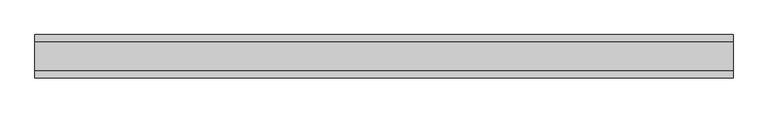
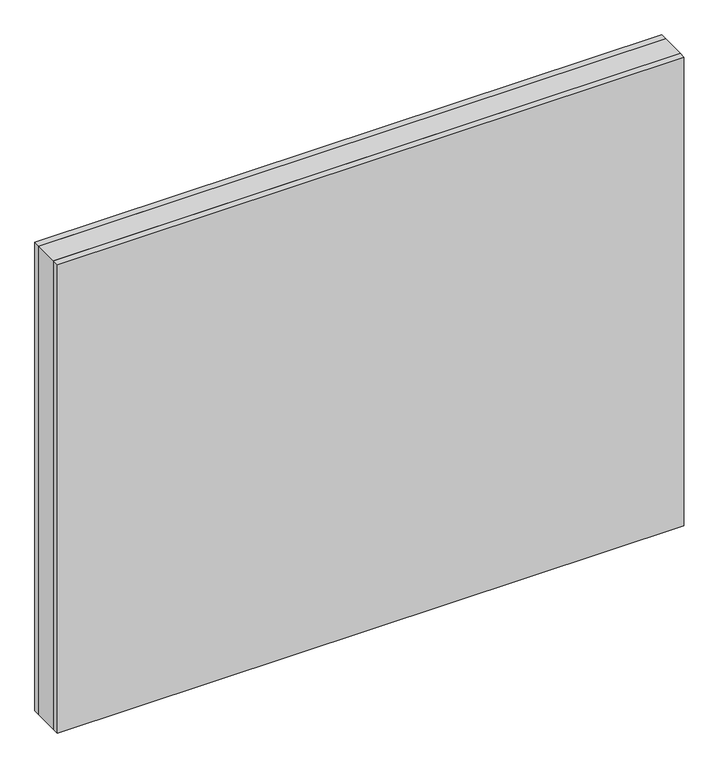
"""IFC4 building model written with IfcOpenShell, lengths in millimetres: plate geometry."""

from ifc_helpers import new_model, si_unit, origin, origin_with_axes, place, context, project, spatial, polyline, outline, extrude, source, transform, mapped, element, save


def plate_739f2e98(model_context):
    return source(origin(), model_context, "Body", "SweptSolid", [
        extrude(outline(polyline([(602.1875001, 24.2), (602.1875001, -24.2), (-602.1875001, -24.2), (-602.1875001, 24.2), (602.1875001, 24.2)])), origin_with_axes(), (0.0, 0.0, 1.0), 951.75),
        extrude(outline(polyline([(602.1875001, 37.2), (602.1875001, 24.2), (-602.1875001, 24.2), (-602.1875001, 37.2), (602.1875001, 37.2)])), origin_with_axes(), (0.0, 0.0, 1.0), 951.75),
        extrude(outline(polyline([(-602.1875001, -37.2), (-602.1875001, -24.2), (602.1875001, -24.2), (602.1875001, -37.2), (-602.1875001, -37.2)])), origin_with_axes(), (0.0, 0.0, 1.0), 951.75),
    ])


if __name__ == "__main__":
    model = new_model("IFC4")
    model_context = context("Model", 3, world=origin())
    ifc_project = project(units=[si_unit("LENGTHUNIT", "METRE", prefix="MILLI")], contexts=[model_context])
    site = spatial("IfcSite", under=ifc_project)
    building = spatial("IfcBuilding", under=site)
    placement = place(None, origin())
    plate_shape = plate_739f2e98(model_context)
    element("IfcPlate", 1, at=placement, inside=building, context=model_context, shape_type="MappedRepresentation", body=[
        mapped(plate_shape, transform((0.0, 0.0, 0.0), x_axis=(1.0, 0.0, 0.0), y_axis=(0.0, 1.0, 0.0), z_axis=(0.0, 0.0, 1.0))),
    ])
    save(model, "model.ifc")
